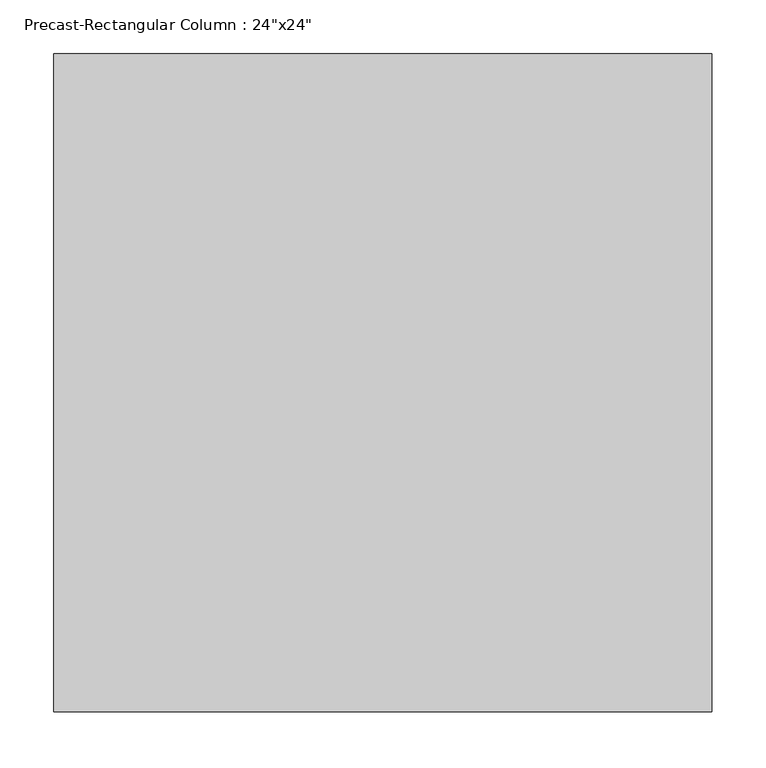
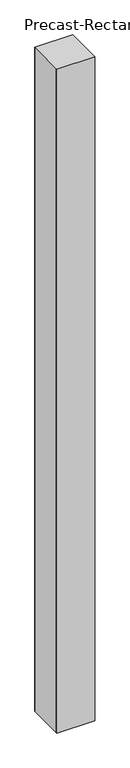
"""IFC4 building model written with IfcOpenShell, lengths in millimetres: column geometry."""

import ifcopenshell
import ifcopenshell.guid

model = None  # the IFC model being written
_history = None  # IfcOwnerHistory: only IFC2X3 demands one
_inside = {}  # id of a spatial element -> (the spatial element, [elements in it])
_under = {}  # id of a project, library or spatial element -> (it, [spatial elements below it])
_declared = {}  # id of a project -> (the project, [libraries it declares])
_typed = {}  # id of a type object -> (the type object, [elements of that type])
_made_of = {}  # id of a material, layer set ... -> (it, [elements and type objects made of it])


def new_model(schema):
    """Start an empty IFC model of exactly this schema.

    Asked for "IFC4X3", IfcOpenShell would pick the latest addendum, in which some entities
    have other attributes; the version numbers below select the first issue.
    IFC2X3 requires an IfcOwnerHistory on every rooted entity: one is made here for all.
    """
    global model, _history
    if schema == "IFC4X3":
        model = ifcopenshell.file(schema_version=(4, 3, 0, 0))
    else:
        model = ifcopenshell.file(schema=schema)
    _inside.clear()
    _under.clear()
    _declared.clear()
    _typed.clear()
    _made_of.clear()
    _history = None
    if model.schema == "IFC2X3":
        org = make("IfcOrganization", Name="unknown")
        user = make(
            "IfcPersonAndOrganization",
            ThePerson=make("IfcPerson", FamilyName="unknown"),
            TheOrganization=org,
        )
        app = make(
            "IfcApplication",
            ApplicationDeveloper=org,
            Version="unknown",
            ApplicationFullName="unknown",
            ApplicationIdentifier="unknown",
        )
        _history = make(
            "IfcOwnerHistory",
            OwningUser=user,
            OwningApplication=app,
            ChangeAction="ADDED",
            CreationDate=0,
        )
    return model


def make(cls, **values):
    """One entity of the class cls with the attributes given. An attribute that is None is left unset."""
    return model.create_entity(
        cls, **{name: value for name, value in values.items() if value is not None}
    )


def rooted(cls, **values):
    """An entity with a GlobalId (a new one), such as an element, a storey or a relation."""
    return make(cls, GlobalId=ifcopenshell.guid.new(), OwnerHistory=_history, **values)


def si_unit(unit_type, name, prefix=None):
    """IfcSIUnit, for example si_unit("LENGTHUNIT", "METRE", prefix="MILLI")."""
    return make("IfcSIUnit", UnitType=unit_type, Prefix=prefix, Name=name)


def assignment(units):
    """IfcUnitAssignment: the units of a project."""
    return None if units is None else make("IfcUnitAssignment", Units=units)


def point(xyz):
    """IfcCartesianPoint."""
    return None if xyz is None else make("IfcCartesianPoint", Coordinates=xyz)


def direction(xyz):
    """IfcDirection."""
    return None if xyz is None else make("IfcDirection", DirectionRatios=xyz)


def frame(location, z_axis=None, x_axis=None):
    """IfcAxis2Placement3D, a coordinate frame: its origin and axes. An axis left out is left unset."""
    return make(
        "IfcAxis2Placement3D",
        Location=point(location),
        Axis=direction(z_axis),
        RefDirection=direction(x_axis),
    )


def origin():
    """The frame at (0, 0, 0) with its axes left unset."""
    return frame((0.0, 0.0, 0.0))


def place(relative_to, where):
    """IfcLocalPlacement: puts the frame where relative to a parent placement (None: the world)."""
    return make(
        "IfcLocalPlacement", PlacementRelTo=relative_to, RelativePlacement=where
    )


def context(
    kind, dimensions, precision=None, world=None, true_north=None, identifier=None
):
    """IfcGeometricRepresentationContext, for example the 3D "Model" context."""
    return make(
        "IfcGeometricRepresentationContext",
        ContextIdentifier=identifier,
        ContextType=kind,
        CoordinateSpaceDimension=dimensions,
        Precision=precision,
        WorldCoordinateSystem=world,
        TrueNorth=true_north,
    )


def project(units=None, contexts=None):
    """IfcProject with its units and contexts."""
    return rooted(
        "IfcProject",
        Name="project",
        RepresentationContexts=contexts,
        UnitsInContext=assignment(units),
    )


def spatial(cls, under=None, at=None, **own):
    """A site, building, storey or space (cls), placed at a placement, below another one or the project."""
    s = rooted(cls, ObjectPlacement=at, **own)
    if under is not None:
        _under.setdefault(under.id(), (under, []))[1].append(s)
    return s


def polyline(points):
    """IfcPolyline through the points."""
    return make("IfcPolyline", Points=[point(p) for p in points])


def outline(outer, holes=None, kind="AREA"):
    """IfcArbitraryClosedProfileDef: a profile drawn as a closed curve; with holes, ...WithVoids."""
    if holes is None:
        return make("IfcArbitraryClosedProfileDef", ProfileType=kind, OuterCurve=outer)
    return make(
        "IfcArbitraryProfileDefWithVoids",
        ProfileType=kind,
        OuterCurve=outer,
        InnerCurves=holes,
    )


def extrude(swept, where, along, depth):
    """IfcExtrudedAreaSolid: the profile swept, set in the frame where, extruded along a direction by depth."""
    return make(
        "IfcExtrudedAreaSolid",
        SweptArea=swept,
        Position=where,
        ExtrudedDirection=direction(along),
        Depth=depth,
    )


def shape(context_of_items, identifier, shape_type, items):
    """IfcShapeRepresentation: the items that make up one representation, for example the "Body"."""
    return make(
        "IfcShapeRepresentation",
        ContextOfItems=context_of_items,
        RepresentationIdentifier=identifier,
        RepresentationType=shape_type,
        Items=items,
    )


def source(mapping_origin, context_of_items, identifier, shape_type, items):
    """IfcRepresentationMap: a shape defined once, which mapped items show again and again."""
    return make(
        "IfcRepresentationMap",
        MappingOrigin=mapping_origin,
        MappedRepresentation=shape(context_of_items, identifier, shape_type, items),
    )


def transform(
    local_origin,
    x_axis=None,
    y_axis=None,
    z_axis=None,
    scale=None,
    scale2=None,
    scale3=None,
    uniform=True,
):
    """IfcCartesianTransformationOperator3D, or its non-uniform kind. x_axis, y_axis, z_axis: its Axis1, 2, 3."""
    if uniform:
        return make(
            "IfcCartesianTransformationOperator3D",
            Axis1=direction(x_axis),
            Axis2=direction(y_axis),
            LocalOrigin=point(local_origin),
            Scale=scale,
            Axis3=direction(z_axis),
        )
    return make(
        "IfcCartesianTransformationOperator3DnonUniform",
        Axis1=direction(x_axis),
        Axis2=direction(y_axis),
        LocalOrigin=point(local_origin),
        Scale=scale,
        Axis3=direction(z_axis),
        Scale2=scale2,
        Scale3=scale3,
    )


def mapped(mapping_source, mapping_target):
    """IfcMappedItem: shows the shape of a source again, moved by a transform."""
    return make(
        "IfcMappedItem", MappingSource=mapping_source, MappingTarget=mapping_target
    )


def made_of(thing, what):
    """Note that an element or type object is made of a material, layer set ...; save() writes the relation."""
    if what is not None:
        _made_of.setdefault(what.id(), (what, []))[1].append(thing)
    return thing


def element(
    cls,
    number,
    at=None,
    inside=None,
    cuts=None,
    type_object=None,
    material=None,
    context=None,
    identifier="Body",
    shape_type=None,
    held_by="IfcProductDefinitionShape",
    body=None,
    shapes=None,
    **own,
):
    """One element of the class cls, such as IfcWall. Its Tag is "e" and its number.

    at: its placement. inside: the storey or other place that contains it. cuts: it is an
    opening in that element (IfcRelVoidsElement). A single representation is given by context,
    identifier, shape_type and body (its items); several are given by shapes. held_by: the class
    of the entity that holds the representations. save() writes the other relations.
    """
    e = rooted(cls, Tag="e%d" % number, ObjectPlacement=at, **own)
    if body is not None:
        shapes = [shape(context, identifier, shape_type, body)]
    if shapes is not None:
        e.Representation = make(held_by, Representations=shapes)
    if inside is not None:
        _inside.setdefault(inside.id(), (inside, []))[1].append(e)
    if cuts is not None:
        rooted(
            "IfcRelVoidsElement", RelatingBuildingElement=cuts, RelatedOpeningElement=e
        )
    if type_object is not None:
        _typed.setdefault(type_object.id(), (type_object, []))[1].append(e)
    return made_of(e, material)


def aggregate(whole, parts):
    """IfcRelAggregates: a whole, such as a stair, and the parts it consists of."""
    return rooted("IfcRelAggregates", RelatingObject=whole, RelatedObjects=parts)


def save(model, path):
    """Write the relations noted so far, then the file.

    IfcRelAggregates (storeys below a building ...), IfcRelContainedInSpatialStructure (elements
    in a storey), IfcRelDefinesByType, IfcRelAssociatesMaterial and IfcRelDeclares: one each for
    every whole, place, type object, material and project.
    """
    for whole, parts in _under.values():
        aggregate(whole, parts)
    for where, things in _inside.values():
        rooted(
            "IfcRelContainedInSpatialStructure",
            RelatedElements=things,
            RelatingStructure=where,
        )
    for kind, things in _typed.values():
        rooted("IfcRelDefinesByType", RelatedObjects=things, RelatingType=kind)
    for what, things in _made_of.values():
        rooted("IfcRelAssociatesMaterial", RelatedObjects=things, RelatingMaterial=what)
    for by, libraries in _declared.values():
        rooted("IfcRelDeclares", RelatingContext=by, RelatedDefinitions=libraries)
    model.write(path)


def column_56c32877(model_context):
    return source(origin(), model_context, "Body", "SweptSolid", [
        extrude(outline(polyline([(304.8, 304.8), (304.8, 294.8), (304.8, -294.8), (304.8, -304.8), (-304.8, -304.8), (-304.8, -294.8), (-304.8, 294.8), (-304.8, 304.8), (304.8, 304.8)])), frame((0.0, 0.0, -3708.4), z_axis=(0.0, 0.0, 1.0), x_axis=(1.0, 0.0, 0.0)), (0.0, 0.0, 1.0), 11277.6),
    ])


if __name__ == "__main__":
    model = new_model("IFC4")
    model_context = context("Model", 3, world=origin())
    ifc_project = project(units=[si_unit("LENGTHUNIT", "METRE", prefix="MILLI")], contexts=[model_context])
    site = spatial("IfcSite", under=ifc_project)
    building = spatial("IfcBuilding", under=site)
    placement = place(None, origin())
    column_shape = column_56c32877(model_context)
    element("IfcColumn", 1, ObjectType="Precast-Rectangular Column : 24\"x24\"", at=placement, inside=building, context=model_context, shape_type="MappedRepresentation", body=[
        mapped(column_shape, transform((0.0, 0.0, 0.0), x_axis=(1.0, 0.0, 0.0), y_axis=(0.0, 1.0, 0.0), z_axis=(0.0, 0.0, 1.0))),
    ])
    save(model, "model.ifc")
